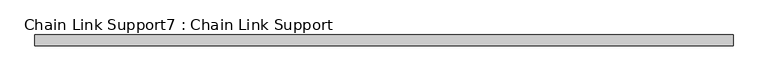
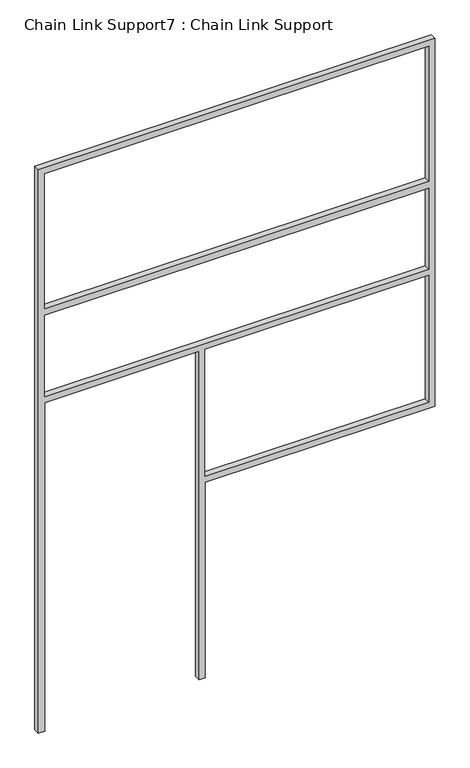
"""IFC4 building model written with IfcOpenShell, lengths in millimetres: proxy geometry, Chain Link Support7 : Chain Link Support."""

from ifc_helpers import new_model, si_unit, frame, origin, place, context, project, spatial, polyline, outline, extrude, source, transform, mapped, element, save


def chain_link_support7_chain_link_support_019921e5(model_context):
    return source(origin(), model_context, "Body", "SweptSolid", [
        extrude(outline(polyline([(3657.6, -27332.3618371), (0.0, -27332.3618371), (0.0, -27294.2618371), (2133.6, -27294.2618371), (2133.6, -26344.9368371), (0.0, -26344.9368371), (0.0, -26306.8368371), (1270.0, -26306.8368371), (1270.0, -24893.9618371), (3657.6, -24893.9618371), (3657.6, -27332.3618371)]), holes=[polyline([(2743.2, -27294.2618371), (3619.5, -27294.2618371), (3619.5, -24932.0618371), (2743.2, -24932.0618371), (2743.2, -27294.2618371)]), polyline([(1308.1, -24932.0618371), (1308.1, -26306.8368371), (2133.6, -26306.8368371), (2133.6, -24932.0618371), (1308.1, -24932.0618371)]), polyline([(2171.7, -27294.2618371), (2698.75, -27294.2618371), (2698.75, -24932.0618371), (2171.7, -24932.0618371), (2171.7, -27294.2618371)])]), frame((0.0, 738.9021235, 0.0), z_axis=(0.0, 1.0, 0.0), x_axis=(0.0, 0.0, 1.0)), (0.0, 0.0, 1.0), 38.1),
    ])


if __name__ == "__main__":
    model = new_model("IFC4")
    model_context = context("Model", 3, world=origin())
    ifc_project = project(units=[si_unit("LENGTHUNIT", "METRE", prefix="MILLI")], contexts=[model_context])
    site = spatial("IfcSite", under=ifc_project)
    building = spatial("IfcBuilding", under=site)
    placement = place(None, origin())
    chain_link_support7_chain_link_support_shape = chain_link_support7_chain_link_support_019921e5(model_context)
    element("IfcBuildingElementProxy", 1, Name="Chain Link Support7 : Chain Link Support", ObjectType="Chain Link Support7 : Chain Link Support", at=placement, inside=building, context=model_context, shape_type="MappedRepresentation", body=[
        mapped(chain_link_support7_chain_link_support_shape, transform((0.0, 0.0, 0.0), x_axis=(1.0, 0.0, 0.0), y_axis=(0.0, 1.0, 0.0), z_axis=(0.0, 0.0, 1.0))),
    ])
    save(model, "model.ifc")
